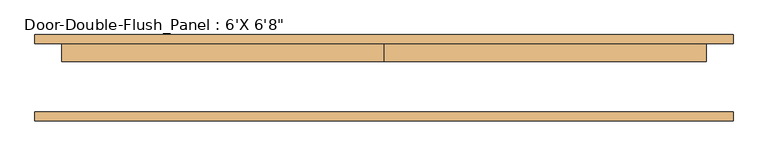
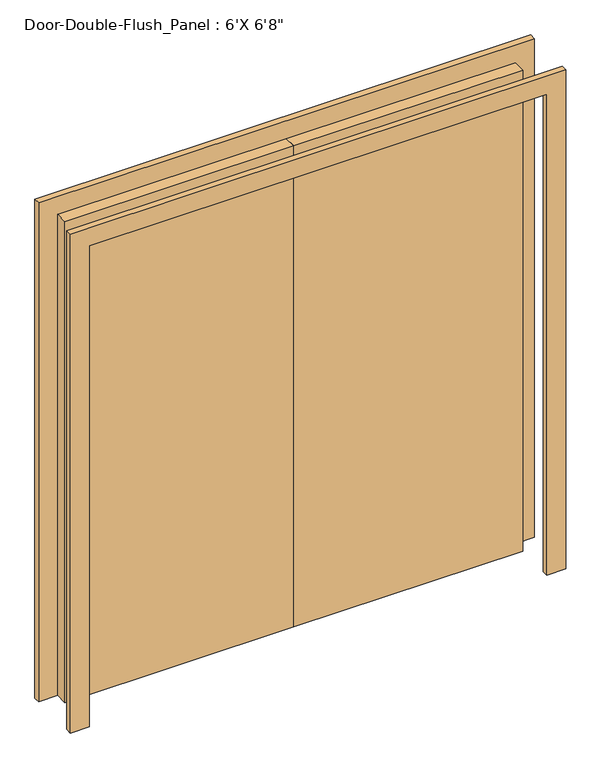
"""IFC4 building model written with IfcOpenShell, lengths in millimetres: door geometry."""

from ifc_helpers import new_model, si_unit, frame, origin, origin_with_axes, place, context, project, spatial, polyline, outline, extrude, source, transform, mapped, element, save


def door_1fd0cc78(model_context):
    return source(origin(), model_context, "Body", "SweptSolid", [
        extrude(outline(polyline([(2032.0, -914.4), (2032.0, 914.4), (0.0, 914.4), (0.0, 990.6), (2108.2, 990.6), (2108.2, -990.6), (0.0, -990.6), (0.0, -914.4), (2032.0, -914.4)])), frame((0.0, -122.2375, 0.0), z_axis=(0.0, 1.0, 0.0), x_axis=(0.0, 0.0, 1.0)), (0.0, 0.0, 1.0), 25.4),
        extrude(outline(polyline([(2032.0, -914.4), (2032.0, 914.4), (0.0, 914.4), (0.0, 990.6), (2108.2, 990.6), (2108.2, -990.6), (0.0, -990.6), (0.0, -914.4), (2032.0, -914.4)])), frame((0.0, 96.8375, 0.0), z_axis=(0.0, 1.0, 0.0), x_axis=(0.0, 0.0, 1.0)), (0.0, 0.0, 1.0), 25.4),
        extrude(outline(polyline([(0.0, 96.8375), (914.4, 96.8375), (914.4, 46.0375), (0.0, 46.0375), (0.0, 96.8375)])), origin_with_axes(), (0.0, 0.0, 1.0), 2032.0),
        extrude(outline(polyline([(-914.4, 96.8375), (0.0, 96.8375), (0.0, 46.0375), (-914.4, 46.0375), (-914.4, 96.8375)])), origin_with_axes(), (0.0, 0.0, 1.0), 2032.0),
    ])


if __name__ == "__main__":
    model = new_model("IFC4")
    model_context = context("Model", 3, world=origin())
    ifc_project = project(units=[si_unit("LENGTHUNIT", "METRE", prefix="MILLI")], contexts=[model_context])
    site = spatial("IfcSite", under=ifc_project)
    building = spatial("IfcBuilding", under=site)
    placement = place(None, origin())
    door_shape = door_1fd0cc78(model_context)
    element("IfcDoor", 1, ObjectType="Door-Double-Flush_Panel : 6'X 6'8\"", at=placement, inside=building, context=model_context, shape_type="MappedRepresentation", body=[
        mapped(door_shape, transform((0.0, 0.0, 0.0), x_axis=(1.0, 0.0, 0.0), y_axis=(0.0, 1.0, 0.0), z_axis=(0.0, 0.0, 1.0))),
    ])
    save(model, "model.ifc")
